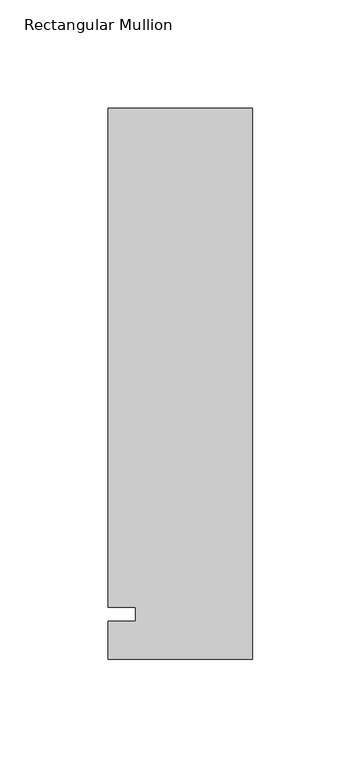
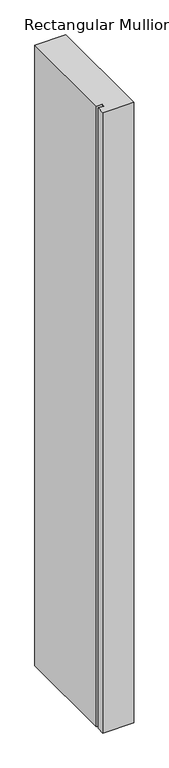
"""IFC4 building model written with IfcOpenShell, lengths in millimetres: member geometry, Rectangular Mullion."""

from ifc_helpers import new_model, si_unit, frame, origin, place, context, project, spatial, polyline, outline, extrude, source, transform, mapped, element, save


def rectangular_mullion_4fb89663(model_context):
    return source(origin(), model_context, "Body", "SweptSolid", [
        extrude(outline(polyline([(-66.675, 233.3625), (0.0, 233.3625), (0.0, -20.6375), (-66.675, -20.6375), (-66.675, -3.175), (-53.9732296, -3.175), (-53.9732296, 3.175), (-66.675, 3.175), (-66.675, 233.3625)])), frame((0.0, 0.0, -1416.1510693), z_axis=(0.0, 0.0, 1.0), x_axis=(1.0, 0.0, 0.0)), (0.0, 0.0, 1.0), 1416.1510693),
    ])


if __name__ == "__main__":
    model = new_model("IFC4")
    model_context = context("Model", 3, world=origin())
    ifc_project = project(units=[si_unit("LENGTHUNIT", "METRE", prefix="MILLI")], contexts=[model_context])
    site = spatial("IfcSite", under=ifc_project)
    building = spatial("IfcBuilding", under=site)
    placement = place(None, origin())
    rectangular_mullion_shape = rectangular_mullion_4fb89663(model_context)
    element("IfcMember", 1, ObjectType="Rectangular Mullion", at=placement, inside=building, context=model_context, shape_type="MappedRepresentation", body=[
        mapped(rectangular_mullion_shape, transform((0.0, 0.0, 0.0), x_axis=(1.0, 0.0, 0.0), y_axis=(0.0, 1.0, 0.0), z_axis=(0.0, 0.0, 1.0))),
    ])
    save(model, "model.ifc")
